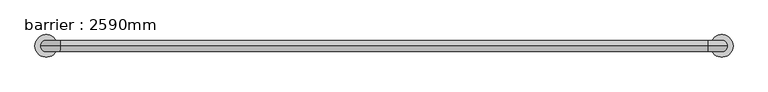
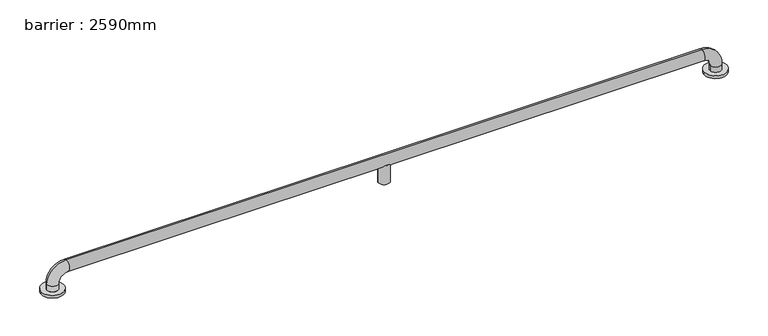
"""IFC4 building model written with IfcOpenShell, lengths in millimetres: geographic element geometry, barrier : 2590mm."""

from ifc_helpers import new_model, si_unit, point, frame, origin, place, context, project, spatial, circle_curve, ellipse_curve, trimmed, source, transform, mapped, element, save
from ifc_brep_helpers import plane_surface, cylinder_surface, revolved_surface, advanced_brep


def barrier_2590mm_d0eabfde(model_context):
    return source(origin(), model_context, "Body", "AdvancedBrep", [
        advanced_brep(
        [(-476.9258969, 0.0, 0.0), (-396.9258969, 0.0, 0.0), (1912.9069146, 0.0, 0.0), (1992.9069146, 0.0, 0.0), (-416.9258969, 0.0, 30.0), (-456.9258969, 0.0, 30.0), (-456.9258969, 0.0, 10.0), (-416.9258969, 0.0, 10.0), (-386.9258969, 0.0, 60.0), (-386.9258969, 0.0, 100.0), (737.9905089, 0.0, 60.0), (749.2967977, -18.0116458, 71.3062888), (766.6842201, -18.0116458, 71.3062888), (777.9905089, 0.0, 60.0), (1902.9069146, 0.0, 60.0), (1902.9069146, 0.0, 100.0), (766.6842201, 18.0116458, 71.3062888), (749.2967977, 18.0116458, 71.3062888), (1932.9069146, 0.0, 30.0), (1972.9069146, 0.0, 30.0), (1932.9069146, 0.0, 10.0), (1972.9069146, 0.0, 10.0), (737.9905089, 0.0, 0.0), (777.9905089, 0.0, 0.0), (-476.9258969, 0.0, 10.0), (-396.9258969, 0.0, 10.0), (1912.9069146, 0.0, 10.0), (1992.9069146, 0.0, 10.0)],
        [
            (0, 1, circle_curve(frame((-436.9258969, 0.0, 0.0), z_axis=(0.0, 0.0, -1.0), x_axis=(1.0, 0.0, 0.0)), 40.0)),
            (1, 0, circle_curve(frame((-436.9258969, 0.0, 0.0), z_axis=(0.0, 0.0, -1.0), x_axis=(1.0, 0.0, 0.0)), 40.0)),
            (2, 3, circle_curve(frame((1952.9069146, 0.0, 0.0), z_axis=(0.0, 0.0, -1.0), x_axis=(1.0, 0.0, 0.0)), 40.0)),
            (3, 2, circle_curve(frame((1952.9069146, 0.0, 0.0), z_axis=(0.0, 0.0, -1.0), x_axis=(1.0, 0.0, 0.0)), 40.0)),
            (4, 5, circle_curve(frame((-436.9258969, 0.0, 30.0), z_axis=(0.0, 0.0, -1.0), x_axis=(-1.0, 0.0, 0.0)), 20.0)),
            (5, 6),
            (6, 7, circle_curve(frame((-436.9258969, 0.0, 10.0), z_axis=(0.0, 0.0, 1.0), x_axis=(-1.0, 0.0, 0.0)), 20.0)),
            (7, 4),
            (5, 4, circle_curve(frame((-436.9258969, 0.0, 30.0), z_axis=(0.0, 0.0, -1.0), x_axis=(-1.0, 0.0, 0.0)), 20.0)),
            (7, 6, circle_curve(frame((-436.9258969, 0.0, 10.0), z_axis=(0.0, 0.0, 1.0), x_axis=(-1.0, 0.0, 0.0)), 20.0)),
            (4, 8, circle_curve(frame((-386.9258969, 0.0, 30.0), z_axis=(0.0, 1.0, 0.0), x_axis=(-1.0, 0.0, 0.0)), 30.0)),
            (8, 9, circle_curve(frame((-386.9258969, 0.0, 80.0), z_axis=(-1.0, 0.0, 0.0), x_axis=(0.0, 0.0, 1.0)), 20.0)),
            (9, 5, circle_curve(frame((-386.9258969, 0.0, 30.0), z_axis=(0.0, -1.0, 0.0), x_axis=(-1.0, 0.0, 0.0)), 70.0)),
            (9, 8, circle_curve(frame((-386.9258969, 0.0, 80.0), z_axis=(-1.0, 0.0, 0.0), x_axis=(0.0, 0.0, 1.0)), 20.0)),
            (8, 10),
            (10, 11, ellipse_curve(frame((757.9905089, 0.0, 80.0), z_axis=(-0.7071067811865475, 0.0, 0.7071067811865475), x_axis=(-0.7071067811865476, 0.0, -0.7071067811865474)), 28.2842712, 20.0)),
            (11, 12),
            (12, 13, ellipse_curve(frame((757.9905089, 0.0, 80.0), z_axis=(0.7071067811865475, 0.0, 0.7071067811865475), x_axis=(-0.7071067811865476, 0.0, 0.7071067811865474)), 28.2842712, 20.0)),
            (13, 14),
            (14, 15, circle_curve(frame((1902.9069146, 0.0, 80.0), z_axis=(-1.0, 0.0, 0.0), x_axis=(0.0, 0.0, 1.0)), 20.0)),
            (15, 9),
            (15, 14, circle_curve(frame((1902.9069146, 0.0, 80.0), z_axis=(-1.0, 0.0, 0.0), x_axis=(0.0, 0.0, 1.0)), 20.0)),
            (13, 16, ellipse_curve(frame((757.9905089, 0.0, 80.0), z_axis=(0.7071067811865475, 0.0, 0.7071067811865475), x_axis=(-0.7071067811865476, 0.0, 0.7071067811865474)), 28.2842712, 20.0)),
            (16, 17),
            (17, 10, ellipse_curve(frame((757.9905089, 0.0, 80.0), z_axis=(-0.7071067811865475, 0.0, 0.7071067811865475), x_axis=(-0.7071067811865476, 0.0, -0.7071067811865474)), 28.2842712, 20.0)),
            (14, 18, circle_curve(frame((1902.9069146, 0.0, 30.0), z_axis=(0.0, 1.0, 0.0), x_axis=(0.0, 0.0, 1.0)), 30.0)),
            (18, 19, circle_curve(frame((1952.9069146, 0.0, 30.0), z_axis=(0.0, 0.0, 1.0), x_axis=(1.0, 0.0, 0.0)), 20.0)),
            (19, 15, circle_curve(frame((1902.9069146, 0.0, 30.0), z_axis=(0.0, -1.0, 0.0), x_axis=(0.0, 0.0, 1.0)), 70.0)),
            (19, 18, circle_curve(frame((1952.9069146, 0.0, 30.0), z_axis=(0.0, 0.0, 1.0), x_axis=(1.0, 0.0, 0.0)), 20.0)),
            (18, 20),
            (20, 21, circle_curve(frame((1952.9069146, 0.0, 10.0), z_axis=(0.0, 0.0, 1.0), x_axis=(1.0, 0.0, 0.0)), 20.0)),
            (21, 19),
            (21, 20, circle_curve(frame((1952.9069146, 0.0, 10.0), z_axis=(0.0, 0.0, 1.0), x_axis=(1.0, 0.0, 0.0)), 20.0)),
            (22, 23, circle_curve(frame((757.9905089, 0.0, 0.0), z_axis=(0.0, 0.0, -1.0), x_axis=(1.0, 0.0, 0.0)), 20.0)),
            (23, 22, circle_curve(frame((757.9905089, 0.0, 0.0), z_axis=(0.0, 0.0, -1.0), x_axis=(1.0, 0.0, 0.0)), 20.0)),
            (23, 13),
            (12, 11, circle_curve(frame((757.9905089, 0.0, 71.3062888), z_axis=(0.0, 0.0, -1.0), x_axis=(1.0, 0.0, 0.0)), 20.0)),
            (10, 22),
            (17, 16, circle_curve(frame((757.9905089, 0.0, 71.3062888), z_axis=(0.0, 0.0, -1.0), x_axis=(1.0, 0.0, 0.0)), 20.0)),
            (24, 25, circle_curve(frame((-436.9258969, 0.0, 10.0), z_axis=(0.0, 0.0, 1.0), x_axis=(1.0, 0.0, 0.0)), 40.0)),
            (25, 24, circle_curve(frame((-436.9258969, 0.0, 10.0), z_axis=(0.0, 0.0, 1.0), x_axis=(1.0, 0.0, 0.0)), 40.0)),
            (26, 27, circle_curve(frame((1952.9069146, 0.0, 10.0), z_axis=(0.0, 0.0, 1.0), x_axis=(1.0, 0.0, 0.0)), 40.0)),
            (27, 26, circle_curve(frame((1952.9069146, 0.0, 10.0), z_axis=(0.0, 0.0, 1.0), x_axis=(1.0, 0.0, 0.0)), 40.0)),
            (24, 0),
            (1, 25),
            (26, 2),
            (3, 27),
        ],
        [
            plane_surface(frame((-436.9258969, -20.0, 0.0), z_axis=(0.0, 0.0, -1.0), x_axis=(1.0, 0.0, 0.0))),
            cylinder_surface(frame((-436.9258969, 0.0, 0.0), z_axis=(0.0, 0.0, -1.0), x_axis=(-1.0, 0.0, 0.0)), 20.0),
            revolved_surface(trimmed(ellipse_curve(frame((-436.9258969, 0.0, 30.0), z_axis=(0.0, 0.0, -1.0), x_axis=(-1.0, 0.0, 0.0)), 20.0, 20.0), [point((-416.9258969, 0.0, 30.0))], [point((-456.9258969, 0.0, 30.0))], True, "CARTESIAN"), (-386.9258969, 0.0, 30.0), (0.0, 1.0, 0.0)),
            revolved_surface(trimmed(ellipse_curve(frame((-436.9258969, 0.0, 30.0), z_axis=(0.0, 0.0, -1.0), x_axis=(-1.0, 0.0, 0.0)), 20.0, 20.0), [point((-456.9258969, 0.0, 30.0))], [point((-416.9258969, 0.0, 30.0))], True, "CARTESIAN"), (-386.9258969, 0.0, 30.0), (0.0, 1.0, 0.0)),
            cylinder_surface(frame((-386.9258969, 0.0, 80.0), z_axis=(-1.0, 0.0, 0.0), x_axis=(0.0, 0.0, 1.0)), 20.0),
            revolved_surface(trimmed(ellipse_curve(frame((1902.9069146, 0.0, 80.0), z_axis=(-1.0, 0.0, 0.0), x_axis=(0.0, 0.0, 1.0)), 20.0, 20.0), [point((1902.9069146, 0.0, 60.0))], [point((1902.9069146, 0.0, 100.0))], True, "CARTESIAN"), (1902.9069146, 0.0, 30.0), (0.0, 1.0, 0.0)),
            revolved_surface(trimmed(ellipse_curve(frame((1902.9069146, 0.0, 80.0), z_axis=(-1.0, 0.0, 0.0), x_axis=(0.0, 0.0, 1.0)), 20.0, 20.0), [point((1902.9069146, 0.0, 100.0))], [point((1902.9069146, 0.0, 60.0))], True, "CARTESIAN"), (1902.9069146, 0.0, 30.0), (0.0, 1.0, 0.0)),
            cylinder_surface(frame((1952.9069146, 0.0, 30.0), z_axis=(0.0, 0.0, 1.0), x_axis=(1.0, 0.0, 0.0)), 20.0),
            plane_surface(frame((777.9905089, 0.0, 0.0), z_axis=(0.0, 0.0, -1.0), x_axis=(0.0, -1.0, 0.0))),
            cylinder_surface(frame((757.9905089, 0.0, 0.0), z_axis=(0.0, 0.0, 1.0), x_axis=(1.0, 0.0, 0.0)), 20.0),
            plane_surface(frame((-396.9258969, 0.0, 10.0), z_axis=(0.0, 0.0, 1.0), x_axis=(0.0, 1.0, 0.0))),
            cylinder_surface(frame((-436.9258969, 0.0, 0.0), z_axis=(0.0, 0.0, 1.0), x_axis=(1.0, 0.0, 0.0)), 40.0),
            cylinder_surface(frame((1952.9069146, 0.0, 0.0), z_axis=(0.0, 0.0, 1.0), x_axis=(1.0, 0.0, 0.0)), 40.0),
            plane_surface(frame((777.9905089, 0.0, 71.3062888), z_axis=(0.0, 0.0, 1.0), x_axis=(0.0, 1.0, 0.0))),
        ],
        [
            (0, [[1, 2]]),
            (0, [[3, 4]]),
            (1, [[5, 6, 7, 8]]),
            (1, [[9, -8, 10, -6]]),
            (2, [[-5, 11, 12, 13]]),
            (3, [[-9, -13, 14, -11]]),
            (4, [[-12, 15, 16, 17, 18, 19, 20, 21]]),
            (4, [[-14, -21, 22, -19, 23, 24, 25, -15]]),
            (5, [[-20, 26, 27, 28]]),
            (6, [[-22, -28, 29, -26]]),
            (7, [[-27, 30, 31, 32]]),
            (7, [[-29, -32, 33, -30]]),
            (8, [[34, 35]]),
            (9, [[-35, 36, -18, 37, -16, 38]]),
            (9, [[-34, -38, -25, 39, -23, -36]]),
            (10, [[40, 41], [-7, -10]]),
            (10, [[42, 43], [-31, -33]]),
            (11, [[-40, 44, -2, 45]]),
            (11, [[-41, -45, -1, -44]]),
            (12, [[-42, 46, -4, 47]]),
            (12, [[-43, -47, -3, -46]]),
            (13, [[-37, -17]]),
            (13, [[-39, -24]]),
        ],
    ),
    ])


if __name__ == "__main__":
    model = new_model("IFC4")
    model_context = context("Model", 3, world=origin())
    ifc_project = project(units=[si_unit("LENGTHUNIT", "METRE", prefix="MILLI")], contexts=[model_context])
    site = spatial("IfcSite", under=ifc_project)
    building = spatial("IfcBuilding", under=site)
    placement = place(None, origin())
    barrier_2590mm_shape = barrier_2590mm_d0eabfde(model_context)
    element("IfcGeographicElement", 1, ObjectType="barrier : 2590mm", at=placement, inside=building, context=model_context, shape_type="MappedRepresentation", body=[
        mapped(barrier_2590mm_shape, transform((0.0, 0.0, 0.0), x_axis=(1.0, 0.0, 0.0), y_axis=(0.0, 1.0, 0.0), z_axis=(0.0, 0.0, 1.0))),
    ])
    save(model, "model.ifc")
